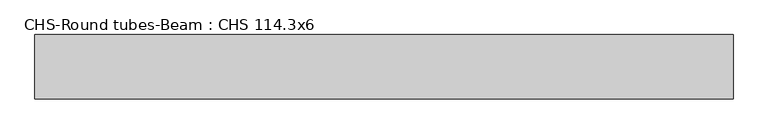
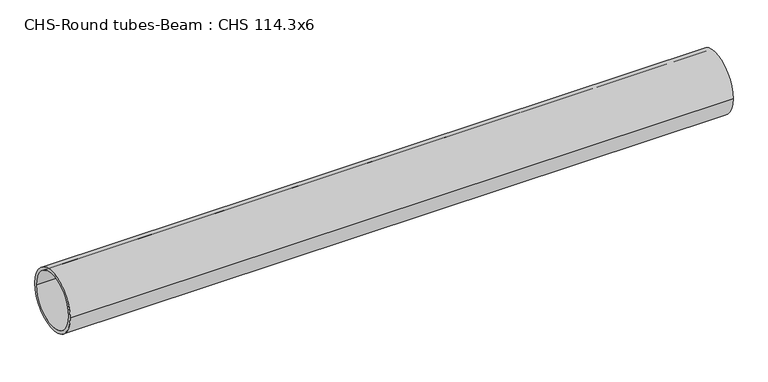
"""IFC4 building model written with IfcOpenShell, lengths in millimetres: beam geometry, CHS-Round tubes-Beam : CHS 114.3x6."""

from ifc_helpers import new_model, si_unit, point, frame, origin, origin_2d, place, context, project, spatial, circle_curve, trimmed, segment, composite_curve, outline, extrude, source, transform, mapped, element, save


def chs_round_tubes_beam_chs_114_3x6_9418cb10(model_context):
    return source(origin(), model_context, "Body", "SweptSolid", [
        extrude(outline(composite_curve([segment(trimmed(circle_curve(origin_2d(), 57.15), [point((57.15, 0.0))], [point((-57.15, 0.0))], False, "CARTESIAN"), True, "CONTINUOUS"), segment(trimmed(circle_curve(origin_2d(), 57.15), [point((-57.15, 0.0))], [point((57.15, 0.0))], False, "CARTESIAN"), True, "CONTINUOUS")], self_intersect=False), holes=[composite_curve([segment(trimmed(circle_curve(origin_2d(), 51.15), [point((51.15, 0.0))], [point((-51.15, 0.0))], True, "CARTESIAN"), True, "CONTINUOUS"), segment(trimmed(circle_curve(origin_2d(), 51.15), [point((-51.15, 0.0))], [point((51.15, 0.0))], True, "CARTESIAN"), True, "CONTINUOUS")], self_intersect=False)]), frame((-619.9949649, 0.0, 0.0), z_axis=(1.0, 0.0, 0.0), x_axis=(0.0, 1.0, 0.0)), (0.0, 0.0, 1.0), 1239.9932788),
    ])


if __name__ == "__main__":
    model = new_model("IFC4")
    model_context = context("Model", 3, world=origin())
    ifc_project = project(units=[si_unit("LENGTHUNIT", "METRE", prefix="MILLI")], contexts=[model_context])
    site = spatial("IfcSite", under=ifc_project)
    building = spatial("IfcBuilding", under=site)
    placement = place(None, origin())
    chs_round_tubes_beam_chs_114_3x6_shape = chs_round_tubes_beam_chs_114_3x6_9418cb10(model_context)
    element("IfcBeam", 1, ObjectType="CHS-Round tubes-Beam : CHS 114.3x6", at=placement, inside=building, context=model_context, shape_type="MappedRepresentation", body=[
        mapped(chs_round_tubes_beam_chs_114_3x6_shape, transform((0.0, 0.0, 0.0), x_axis=(1.0, 0.0, 0.0), y_axis=(0.0, 1.0, 0.0), z_axis=(0.0, 0.0, 1.0))),
    ])
    save(model, "model.ifc")
